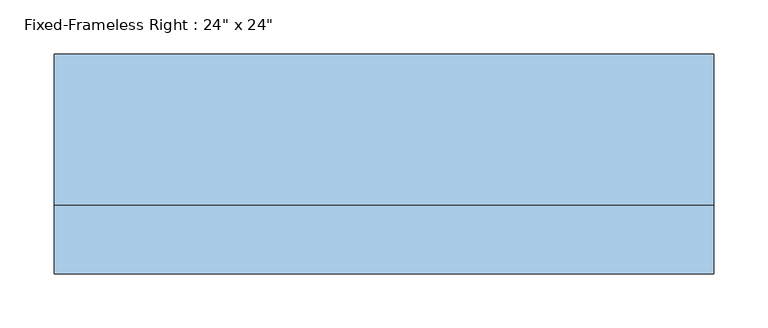
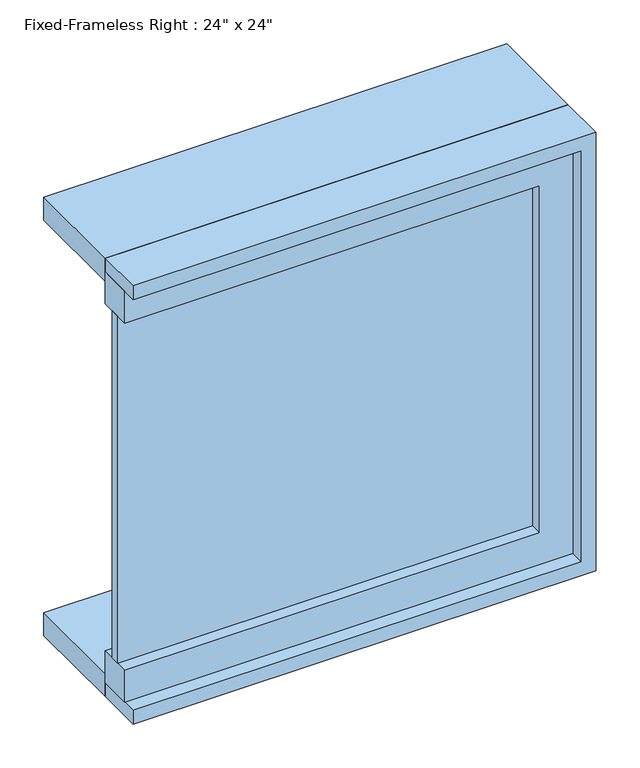
"""IFC4 building model written with IfcOpenShell, lengths in millimetres: window geometry."""

from ifc_helpers import new_model, si_unit, frame, origin, place, context, project, spatial, polyline, outline, extrude, source, transform, mapped, element, save


def window_8553e926(model_context):
    return source(origin(), model_context, "Body", "SweptSolid", [
        extrude(outline(polyline([(203.2, -53.975), (203.2, -66.675), (-342.9, -66.675), (-342.9, -53.975), (203.2, -53.975)])), frame((0.0, 0.0, 977.9), z_axis=(0.0, 0.0, 1.0), x_axis=(1.0, 0.0, 0.0)), (0.0, 0.0, 1.0), 482.6),
        extrude(outline(polyline([(1504.95, -342.9), (1460.5, -342.9), (1460.5, 203.2), (977.9, 203.2), (977.9, -342.9), (933.45, -342.9), (933.45, 247.65), (1504.95, 247.65), (1504.95, -342.9)])), frame((0.0, -82.55, 0.0), z_axis=(0.0, 1.0, 0.0), x_axis=(0.0, 0.0, 1.0)), (0.0, 0.0, 1.0), 44.45),
        extrude(outline(polyline([(1524.0, -342.9), (1492.25, -342.9), (1492.25, 234.95), (946.15, 234.95), (946.15, -342.9), (914.4, -342.9), (914.4, 266.7), (1524.0, 266.7), (1524.0, -342.9)])), frame((0.0, -38.1, 0.0), z_axis=(0.0, 1.0, 0.0), x_axis=(0.0, 0.0, 1.0)), (0.0, 0.0, 1.0), 139.7),
        extrude(outline(polyline([(1524.0, 266.7), (1524.0, -342.9), (1504.95, -342.9), (1504.95, 247.65), (933.45, 247.65), (933.45, -342.9), (914.4, -342.9), (914.4, 266.7), (1524.0, 266.7)])), frame((0.0, -101.6, 0.0), z_axis=(0.0, 1.0, 0.0), x_axis=(0.0, 0.0, 1.0)), (0.0, 0.0, 1.0), 63.5),
    ])


if __name__ == "__main__":
    model = new_model("IFC4")
    model_context = context("Model", 3, world=origin())
    ifc_project = project(units=[si_unit("LENGTHUNIT", "METRE", prefix="MILLI")], contexts=[model_context])
    site = spatial("IfcSite", under=ifc_project)
    building = spatial("IfcBuilding", under=site)
    placement = place(None, origin())
    window_shape = window_8553e926(model_context)
    element("IfcWindow", 1, ObjectType="Fixed-Frameless Right : 24\" x 24\"", at=placement, inside=building, context=model_context, shape_type="MappedRepresentation", body=[
        mapped(window_shape, transform((0.0, 0.0, 0.0), x_axis=(1.0, 0.0, 0.0), y_axis=(0.0, 1.0, 0.0), z_axis=(0.0, 0.0, 1.0))),
    ])
    save(model, "model.ifc")
